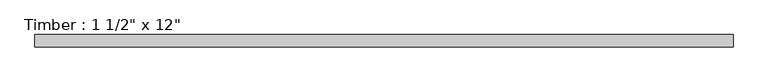
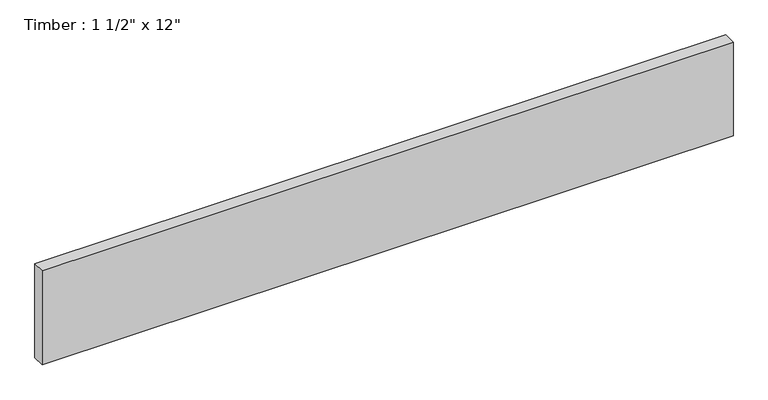
"""IFC4 building model written with IfcOpenShell, lengths in millimetres: beam geometry."""

from ifc_helpers import new_model, si_unit, frame, origin, place, context, project, spatial, polyline, outline, extrude, source, transform, mapped, element, save


def beam_b4c95662(model_context):
    return source(origin(), model_context, "Body", "SweptSolid", [
        extrude(outline(polyline([(1061.4528066, 19.05), (1061.4528066, -19.05), (-1061.4528066, -19.05), (-1061.4528066, 19.05), (1061.4528066, 19.05)])), frame((0.0, 0.0, -152.4), z_axis=(0.0, 0.0, 1.0), x_axis=(1.0, 0.0, 0.0)), (0.0, 0.0, 1.0), 304.8),
    ])


if __name__ == "__main__":
    model = new_model("IFC4")
    model_context = context("Model", 3, world=origin())
    ifc_project = project(units=[si_unit("LENGTHUNIT", "METRE", prefix="MILLI")], contexts=[model_context])
    site = spatial("IfcSite", under=ifc_project)
    building = spatial("IfcBuilding", under=site)
    placement = place(None, origin())
    beam_shape = beam_b4c95662(model_context)
    element("IfcBeam", 1, ObjectType="Timber : 1 1/2\" x 12\"", at=placement, inside=building, context=model_context, shape_type="MappedRepresentation", body=[
        mapped(beam_shape, transform((0.0, 0.0, 0.0), x_axis=(1.0, 0.0, 0.0), y_axis=(0.0, 1.0, 0.0), z_axis=(0.0, 0.0, 1.0))),
    ])
    save(model, "model.ifc")
